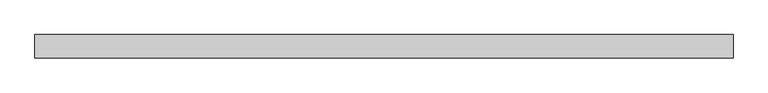
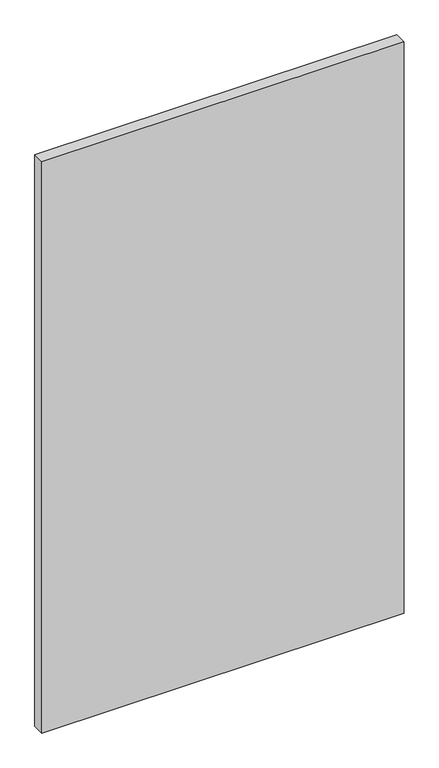
"""IFC4 building model written with IfcOpenShell, lengths in millimetres: proxy geometry."""

from ifc_helpers import new_model, si_unit, origin, origin_with_axes, place, context, project, spatial, polyline, outline, extrude, source, transform, mapped, element, save


def generic_models_cd9f9528(model_context):
    return source(origin(), model_context, "Body", "SweptSolid", [
        extrude(outline(polyline([(0.0, 100.0), (0.0, 0.0), (-3000.0, 0.0), (-3000.0, 100.0), (0.0, 100.0)])), origin_with_axes(), (0.0, 0.0, 1.0), 5000.0),
    ])


if __name__ == "__main__":
    model = new_model("IFC4")
    model_context = context("Model", 3, world=origin())
    ifc_project = project(units=[si_unit("LENGTHUNIT", "METRE", prefix="MILLI")], contexts=[model_context])
    site = spatial("IfcSite", under=ifc_project)
    building = spatial("IfcBuilding", under=site)
    placement = place(None, origin())
    generic_models_shape = generic_models_cd9f9528(model_context)
    element("IfcBuildingElementProxy", 1, Name="Generic Models", at=placement, inside=building, context=model_context, shape_type="MappedRepresentation", body=[
        mapped(generic_models_shape, transform((0.0, 0.0, 0.0), x_axis=(1.0, 0.0, 0.0), y_axis=(0.0, 1.0, 0.0), z_axis=(0.0, 0.0, 1.0))),
    ])
    save(model, "model.ifc")
